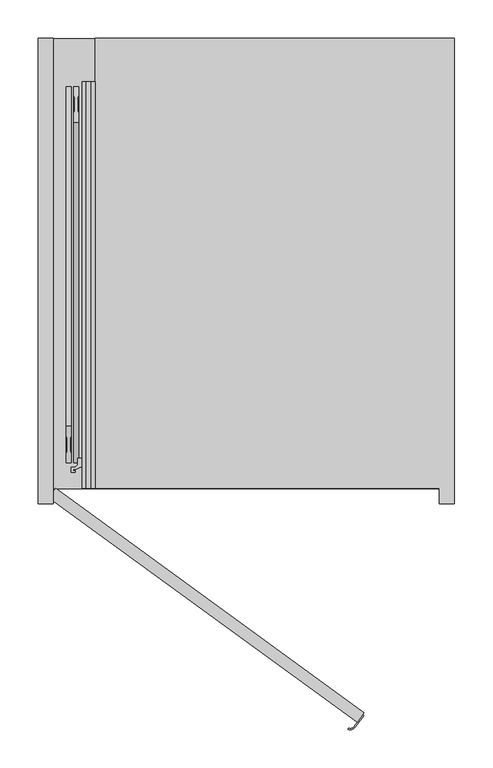
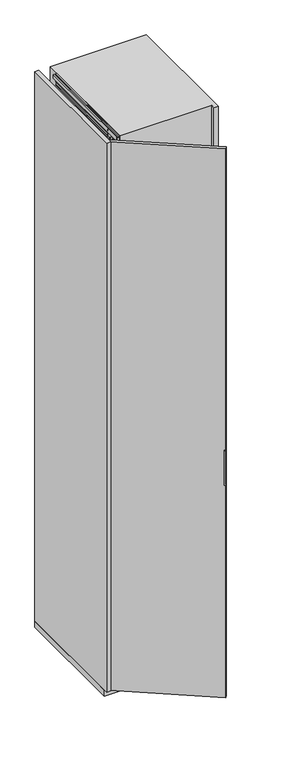
"""IFC4 building model written with IfcOpenShell, lengths in millimetres: furniture geometry."""

import ifcopenshell
import ifcopenshell.guid

model = None  # the IFC model being written
_history = None  # IfcOwnerHistory: only IFC2X3 demands one
_inside = {}  # id of a spatial element -> (the spatial element, [elements in it])
_under = {}  # id of a project, library or spatial element -> (it, [spatial elements below it])
_declared = {}  # id of a project -> (the project, [libraries it declares])
_typed = {}  # id of a type object -> (the type object, [elements of that type])
_made_of = {}  # id of a material, layer set ... -> (it, [elements and type objects made of it])


def new_model(schema):
    """Start an empty IFC model of exactly this schema.

    Asked for "IFC4X3", IfcOpenShell would pick the latest addendum, in which some entities
    have other attributes; the version numbers below select the first issue.
    IFC2X3 requires an IfcOwnerHistory on every rooted entity: one is made here for all.
    """
    global model, _history
    if schema == "IFC4X3":
        model = ifcopenshell.file(schema_version=(4, 3, 0, 0))
    else:
        model = ifcopenshell.file(schema=schema)
    _inside.clear()
    _under.clear()
    _declared.clear()
    _typed.clear()
    _made_of.clear()
    _history = None
    if model.schema == "IFC2X3":
        org = make("IfcOrganization", Name="unknown")
        user = make(
            "IfcPersonAndOrganization",
            ThePerson=make("IfcPerson", FamilyName="unknown"),
            TheOrganization=org,
        )
        app = make(
            "IfcApplication",
            ApplicationDeveloper=org,
            Version="unknown",
            ApplicationFullName="unknown",
            ApplicationIdentifier="unknown",
        )
        _history = make(
            "IfcOwnerHistory",
            OwningUser=user,
            OwningApplication=app,
            ChangeAction="ADDED",
            CreationDate=0,
        )
    return model


def make(cls, **values):
    """One entity of the class cls with the attributes given. An attribute that is None is left unset."""
    return model.create_entity(
        cls, **{name: value for name, value in values.items() if value is not None}
    )


def rooted(cls, **values):
    """An entity with a GlobalId (a new one), such as an element, a storey or a relation."""
    return make(cls, GlobalId=ifcopenshell.guid.new(), OwnerHistory=_history, **values)


def si_unit(unit_type, name, prefix=None):
    """IfcSIUnit, for example si_unit("LENGTHUNIT", "METRE", prefix="MILLI")."""
    return make("IfcSIUnit", UnitType=unit_type, Prefix=prefix, Name=name)


def assignment(units):
    """IfcUnitAssignment: the units of a project."""
    return None if units is None else make("IfcUnitAssignment", Units=units)


def point(xyz):
    """IfcCartesianPoint."""
    return None if xyz is None else make("IfcCartesianPoint", Coordinates=xyz)


def direction(xyz):
    """IfcDirection."""
    return None if xyz is None else make("IfcDirection", DirectionRatios=xyz)


def frame(location, z_axis=None, x_axis=None):
    """IfcAxis2Placement3D, a coordinate frame: its origin and axes. An axis left out is left unset."""
    return make(
        "IfcAxis2Placement3D",
        Location=point(location),
        Axis=direction(z_axis),
        RefDirection=direction(x_axis),
    )


def frame_2d(location, x_axis=None):
    """IfcAxis2Placement2D, a coordinate frame in the plane: its origin and x axis."""
    return make(
        "IfcAxis2Placement2D", Location=point(location), RefDirection=direction(x_axis)
    )


def origin():
    """The frame at (0, 0, 0) with its axes left unset."""
    return frame((0.0, 0.0, 0.0))


def origin_with_axes():
    """The frame at (0, 0, 0) with the z axis (0, 0, 1) and the x axis (1, 0, 0) written out."""
    return frame((0.0, 0.0, 0.0), z_axis=(0.0, 0.0, 1.0), x_axis=(1.0, 0.0, 0.0))


def place(relative_to, where):
    """IfcLocalPlacement: puts the frame where relative to a parent placement (None: the world)."""
    return make(
        "IfcLocalPlacement", PlacementRelTo=relative_to, RelativePlacement=where
    )


def context(
    kind, dimensions, precision=None, world=None, true_north=None, identifier=None
):
    """IfcGeometricRepresentationContext, for example the 3D "Model" context."""
    return make(
        "IfcGeometricRepresentationContext",
        ContextIdentifier=identifier,
        ContextType=kind,
        CoordinateSpaceDimension=dimensions,
        Precision=precision,
        WorldCoordinateSystem=world,
        TrueNorth=true_north,
    )


def project(units=None, contexts=None):
    """IfcProject with its units and contexts."""
    return rooted(
        "IfcProject",
        Name="project",
        RepresentationContexts=contexts,
        UnitsInContext=assignment(units),
    )


def spatial(cls, under=None, at=None, **own):
    """A site, building, storey or space (cls), placed at a placement, below another one or the project."""
    s = rooted(cls, ObjectPlacement=at, **own)
    if under is not None:
        _under.setdefault(under.id(), (under, []))[1].append(s)
    return s


def polyline(points):
    """IfcPolyline through the points."""
    return make("IfcPolyline", Points=[point(p) for p in points])


def circle_curve(where, radius):
    """IfcCircle in the frame where."""
    return make("IfcCircle", Position=where, Radius=radius)


def trimmed(basis, trim1, trim2, sense, master):
    """IfcTrimmedCurve: the piece of a basis curve between two trims."""
    return make(
        "IfcTrimmedCurve",
        BasisCurve=basis,
        Trim1=trim1,
        Trim2=trim2,
        SenseAgreement=sense,
        MasterRepresentation=master,
    )


def segment(curve, same_sense, transition):
    """IfcCompositeCurveSegment."""
    return make(
        "IfcCompositeCurveSegment",
        Transition=transition,
        SameSense=same_sense,
        ParentCurve=curve,
    )


def composite_curve(segments, self_intersect=None):
    """IfcCompositeCurve: segments joined end to end."""
    return make("IfcCompositeCurve", Segments=segments, SelfIntersect=self_intersect)


def outline(outer, holes=None, kind="AREA"):
    """IfcArbitraryClosedProfileDef: a profile drawn as a closed curve; with holes, ...WithVoids."""
    if holes is None:
        return make("IfcArbitraryClosedProfileDef", ProfileType=kind, OuterCurve=outer)
    return make(
        "IfcArbitraryProfileDefWithVoids",
        ProfileType=kind,
        OuterCurve=outer,
        InnerCurves=holes,
    )


def extrude(swept, where, along, depth):
    """IfcExtrudedAreaSolid: the profile swept, set in the frame where, extruded along a direction by depth."""
    return make(
        "IfcExtrudedAreaSolid",
        SweptArea=swept,
        Position=where,
        ExtrudedDirection=direction(along),
        Depth=depth,
    )


def faces_of(points, faces, orient=None, outer=None):
    """IfcFace entities. A face is a list of loops; a loop is a list of indices into points, from 0.

    orient and outer hold one flag for each loop. By default every Orientation is true, the
    first loop of a face is its IfcFaceOuterBound and the others are IfcFaceBound.
    """
    made = []
    for i, loops in enumerate(faces):
        bounds = []
        for j, loop in enumerate(loops):
            is_outer = j == 0 if outer is None else outer[i][j]
            bounds.append(
                make(
                    "IfcFaceOuterBound" if is_outer else "IfcFaceBound",
                    Bound=make("IfcPolyLoop", Polygon=[points[k] for k in loop]),
                    Orientation=True if orient is None else orient[i][j],
                )
            )
        made.append(make("IfcFace", Bounds=bounds))
    return made


def faceted_brep(points, faces, orient=None, outer=None, voids=None):
    """IfcFacetedBrep: a solid bounded by flat faces; with voids (closed shells), ...WithVoids."""
    shared = [point(p) for p in points]
    hull = make("IfcClosedShell", CfsFaces=faces_of(shared, faces, orient, outer))
    if voids is None:
        return make("IfcFacetedBrep", Outer=hull)
    return make(
        "IfcFacetedBrepWithVoids",
        Outer=hull,
        Voids=[
            make(cls, CfsFaces=faces_of(shared, fs, o, b)) for cls, fs, o, b in voids
        ],
    )


def shape(context_of_items, identifier, shape_type, items):
    """IfcShapeRepresentation: the items that make up one representation, for example the "Body"."""
    return make(
        "IfcShapeRepresentation",
        ContextOfItems=context_of_items,
        RepresentationIdentifier=identifier,
        RepresentationType=shape_type,
        Items=items,
    )


def source(mapping_origin, context_of_items, identifier, shape_type, items):
    """IfcRepresentationMap: a shape defined once, which mapped items show again and again."""
    return make(
        "IfcRepresentationMap",
        MappingOrigin=mapping_origin,
        MappedRepresentation=shape(context_of_items, identifier, shape_type, items),
    )


def transform(
    local_origin,
    x_axis=None,
    y_axis=None,
    z_axis=None,
    scale=None,
    scale2=None,
    scale3=None,
    uniform=True,
):
    """IfcCartesianTransformationOperator3D, or its non-uniform kind. x_axis, y_axis, z_axis: its Axis1, 2, 3."""
    if uniform:
        return make(
            "IfcCartesianTransformationOperator3D",
            Axis1=direction(x_axis),
            Axis2=direction(y_axis),
            LocalOrigin=point(local_origin),
            Scale=scale,
            Axis3=direction(z_axis),
        )
    return make(
        "IfcCartesianTransformationOperator3DnonUniform",
        Axis1=direction(x_axis),
        Axis2=direction(y_axis),
        LocalOrigin=point(local_origin),
        Scale=scale,
        Axis3=direction(z_axis),
        Scale2=scale2,
        Scale3=scale3,
    )


def mapped(mapping_source, mapping_target):
    """IfcMappedItem: shows the shape of a source again, moved by a transform."""
    return make(
        "IfcMappedItem", MappingSource=mapping_source, MappingTarget=mapping_target
    )


def made_of(thing, what):
    """Note that an element or type object is made of a material, layer set ...; save() writes the relation."""
    if what is not None:
        _made_of.setdefault(what.id(), (what, []))[1].append(thing)
    return thing


def element(
    cls,
    number,
    at=None,
    inside=None,
    cuts=None,
    type_object=None,
    material=None,
    context=None,
    identifier="Body",
    shape_type=None,
    held_by="IfcProductDefinitionShape",
    body=None,
    shapes=None,
    **own,
):
    """One element of the class cls, such as IfcWall. Its Tag is "e" and its number.

    at: its placement. inside: the storey or other place that contains it. cuts: it is an
    opening in that element (IfcRelVoidsElement). A single representation is given by context,
    identifier, shape_type and body (its items); several are given by shapes. held_by: the class
    of the entity that holds the representations. save() writes the other relations.
    """
    e = rooted(cls, Tag="e%d" % number, ObjectPlacement=at, **own)
    if body is not None:
        shapes = [shape(context, identifier, shape_type, body)]
    if shapes is not None:
        e.Representation = make(held_by, Representations=shapes)
    if inside is not None:
        _inside.setdefault(inside.id(), (inside, []))[1].append(e)
    if cuts is not None:
        rooted(
            "IfcRelVoidsElement", RelatingBuildingElement=cuts, RelatedOpeningElement=e
        )
    if type_object is not None:
        _typed.setdefault(type_object.id(), (type_object, []))[1].append(e)
    return made_of(e, material)


def aggregate(whole, parts):
    """IfcRelAggregates: a whole, such as a stair, and the parts it consists of."""
    return rooted("IfcRelAggregates", RelatingObject=whole, RelatedObjects=parts)


def save(model, path):
    """Write the relations noted so far, then the file.

    IfcRelAggregates (storeys below a building ...), IfcRelContainedInSpatialStructure (elements
    in a storey), IfcRelDefinesByType, IfcRelAssociatesMaterial and IfcRelDeclares: one each for
    every whole, place, type object, material and project.
    """
    for whole, parts in _under.values():
        aggregate(whole, parts)
    for where, things in _inside.values():
        rooted(
            "IfcRelContainedInSpatialStructure",
            RelatedElements=things,
            RelatingStructure=where,
        )
    for kind, things in _typed.values():
        rooted("IfcRelDefinesByType", RelatedObjects=things, RelatingType=kind)
    for what, things in _made_of.values():
        rooted("IfcRelAssociatesMaterial", RelatedObjects=things, RelatingMaterial=what)
    for by, libraries in _declared.values():
        rooted("IfcRelDeclares", RelatingContext=by, RelatedDefinitions=libraries)
    model.write(path)


def furniture_86bc26cf(model_context):
    return source(origin(), model_context, "Body", "SolidModel", [
        extrude(outline(composite_curve([segment(polyline([(350.7451414, -296.3196771), (351.9586669, -297.201355), (341.0735707, -312.1834047)]), True, "CONTINUOUS"), segment(trimmed(circle_curve(frame_2d((334.2088338, -307.1958814)), 8.4852814), [point((341.0735707, -312.1834047))], [point((331.167981, -315.117574))], False, "CARTESIAN"), True, "CONTINUOUS"), segment(polyline([(331.167981, -315.117574), (331.7055329, -313.7172034)]), True, "CONTINUOUS"), segment(trimmed(circle_curve(frame_2d((334.2088338, -307.1958814)), 6.9852814), [point((331.7055329, -313.7172034))], [point((339.8600452, -311.3017268))], True, "CARTESIAN"), True, "CONTINUOUS"), segment(polyline([(339.8600452, -311.3017268), (350.7451414, -296.3196771)]), True, "CONTINUOUS")], self_intersect=False)), frame((0.0, 0.0, 1110.0), z_axis=(0.0, 0.0, 1.0), x_axis=(1.0, 0.0, 0.0)), (0.0, 0.0, 1.0), 180.0),
        extrude(outline(polyline([(-60.8167788, -12.1352549), (-52.0, 0.0), (352.5084972, -293.8926261), (343.6917184, -306.0278811), (-60.8167788, -12.1352549)])), origin_with_axes(), (0.0, 0.0, 1.0), 2846.0),
        extrude(outline(polyline([(17.0, -17.0), (-2.0, -17.0), (-2.0, -12.75), (0.25, -12.75), (0.25, -15.0), (2.9, -15.0), (2.9, -3.0), (0.25, -3.0), (0.25, -5.25), (-2.0, -5.25), (-2.0, 0.0), (56.5663764, 0.0), (57.0913089, -6.0), (54.1547673, -6.0), (54.1547673, -2.5), (38.5, -2.5), (38.5, -6.0), (35.5, -6.0), (35.5, -3.0104888), (5.5, -3.0104888), (5.5, -15.0), (17.0, -15.0), (17.0, -17.0)])), frame((0.0, 0.0, 0.0), z_axis=(0.0, 1.0, 0.0), x_axis=(0.0, 0.0, 1.0)), (0.0, 0.0, 1.0), 533.0),
        extrude(outline(polyline([(2829.0, -15.0), (2840.5, -15.0), (2840.5, -3.0104888), (2810.5, -3.0104888), (2810.5, -6.0), (2807.5, -6.0), (2807.5, -2.5), (2791.8452327, -2.5), (2791.8452327, -6.0), (2788.9086911, -6.0), (2789.4336236, 0.0), (2848.0, 0.0), (2848.0, -5.25), (2845.75, -5.25), (2845.75, -3.0), (2843.1, -3.0), (2843.1, -15.0), (2845.75, -15.0), (2845.75, -12.75), (2848.0, -12.75), (2848.0, -17.0), (2829.0, -17.0), (2829.0, -15.0)])), frame((0.0, 0.0, 0.0), z_axis=(0.0, 1.0, 0.0), x_axis=(0.0, 0.0, 1.0)), (0.0, 0.0, 1.0), 533.0),
        faceted_brep([(-15.8313044, 44.5, 33.9), (-15.8313044, 68.7, 33.9), (-15.8313044, 68.7, 21.9), (-15.8313044, 44.5, 21.9), (-13.8052444, 68.7, 33.9), (-13.8052444, 44.5, 33.9), (-13.8052444, 44.5, 21.9), (-13.8052444, 68.7, 21.9), (-14.2052444, 68.7, 21.9), (-14.2052444, 68.7, 19.301924), (-14.2052444, 44.5, 19.301924), (-14.2052444, 44.5, 21.9), (-10.2052444, 81.5, 21.9), (-14.2052444, 77.5, 21.9), (-14.2052444, 35.5, 21.9), (-10.2052444, 31.5, 21.9), (-7.8052444, 31.5, 21.9), (-3.8052444, 35.5, 21.9), (-3.8052444, 77.5193461, 21.9), (-7.7858983, 81.5, 21.9), (-3.8052444, 70.0, 9.0920874), (-3.8052444, 42.8540496, 9.0920874), (-14.2052444, 42.8540496, 9.0920874), (-14.2052444, 70.0, 9.0920874), (-10.2052444, 81.5, 14.45), (-14.2052444, 77.5, 14.45), (-14.2052444, 42.8540496, 14.45), (-14.2052444, 35.5, 14.45), (-14.2052444, 70.0, 14.45), (-14.2052444, 64.0, 15.2), (-14.2052444, 49.0, 15.2), (-14.2052444, 49.0, 11.4378021), (-14.2052444, 64.0, 11.4378021), (-10.2052444, 31.5, 14.45), (-7.8052444, 31.5, 14.45), (-3.8052444, 35.5, 14.45), (-3.8052444, 42.8540496, 14.45), (-3.8052444, 70.0, 14.45), (-3.8052444, 77.5193461, 14.45), (-3.8052444, 49.0, 15.2), (-3.8052444, 64.0, 15.2), (-3.8052444, 64.0, 11.4378021), (-3.8052444, 49.0, 11.4378021), (-7.7858983, 81.5, 14.45)], [[[0, 1, 2, 3]], [[4, 5, 6, 7]], [[1, 0, 5, 4]], [[1, 4, 7, 8, 9, 2]], [[5, 0, 3, 10, 11, 6]], [[3, 2, 9, 10]], [[12, 13, 8, 7, 6, 11, 14, 15, 16, 17, 18, 19]], [[20, 21, 22, 23]], [[13, 12, 24, 25]], [[23, 22, 26, 27, 14, 11, 10, 9, 8, 13, 25, 28], [29, 30, 31, 32]], [[15, 14, 27, 33]], [[16, 15, 33, 34]], [[17, 16, 34, 35]], [[18, 17, 35, 36, 21, 20, 37, 38], [39, 40, 41, 42]], [[19, 18, 38, 43]], [[12, 19, 43, 24]], [[37, 28, 25, 24, 43, 38]], [[28, 37, 20, 23]], [[29, 40, 39, 30]], [[40, 29, 32, 41]], [[30, 39, 42, 31]], [[26, 36, 35, 34, 33, 27]], [[36, 26, 22, 21]], [[41, 32, 31, 42]]]),
        extrude(outline(composite_curve([segment(trimmed(circle_curve(frame_2d((-9.0052444, 37.1770248)), 5.75), [point((-9.0052444, 42.9270248))], [point((-9.0052444, 31.4270248))], False, "CARTESIAN"), True, "CONTINUOUS"), segment(trimmed(circle_curve(frame_2d((-9.0052444, 37.1770248)), 5.75), [point((-9.0052444, 31.4270248))], [point((-9.0052444, 42.9270248))], False, "CARTESIAN"), True, "CONTINUOUS")], self_intersect=False)), frame((0.0, 0.0, 6.65), z_axis=(0.0, 0.0, 1.0), x_axis=(1.0, 0.0, 0.0)), (0.0, 0.0, 1.0), 7.3),
        extrude(outline(composite_curve([segment(trimmed(circle_curve(frame_2d((-9.0052444, 56.5)), 5.75), [point((-9.0052444, 62.25))], [point((-9.0052444, 50.75))], False, "CARTESIAN"), True, "CONTINUOUS"), segment(trimmed(circle_curve(frame_2d((-9.0052444, 56.5)), 5.75), [point((-9.0052444, 50.75))], [point((-9.0052444, 62.25))], False, "CARTESIAN"), True, "CONTINUOUS")], self_intersect=False)), frame((0.0, 0.0, 11.4378021), z_axis=(0.0, 0.0, 1.0), x_axis=(1.0, 0.0, 0.0)), (0.0, 0.0, 1.0), 3.7621979),
        extrude(outline(composite_curve([segment(trimmed(circle_curve(frame_2d((-9.0052444, 75.75)), 5.75), [point((-9.0052444, 81.5))], [point((-9.0052444, 70.0))], False, "CARTESIAN"), True, "CONTINUOUS"), segment(trimmed(circle_curve(frame_2d((-9.0052444, 75.75)), 5.75), [point((-9.0052444, 70.0))], [point((-9.0052444, 81.5))], False, "CARTESIAN"), True, "CONTINUOUS")], self_intersect=False)), frame((0.0, 0.0, 6.65), z_axis=(0.0, 0.0, 1.0), x_axis=(1.0, 0.0, 0.0)), (0.0, 0.0, 1.0), 7.3),
        faceted_brep([(-15.8313044, 68.5, 2812.1), (-15.8313044, 44.3, 2812.1), (-15.8313044, 44.3, 2824.1), (-15.8313044, 68.5, 2824.1), (-13.8052444, 44.3, 2812.1), (-13.8052444, 68.5, 2812.1), (-13.8052444, 68.5, 2824.1), (-13.8052444, 44.3, 2824.1), (-14.2052444, 44.3, 2824.1), (-14.2052444, 44.3, 2826.698076), (-14.2052444, 68.5, 2826.698076), (-14.2052444, 68.5, 2824.1), (-10.2052444, 31.5, 2824.1), (-14.2052444, 35.5, 2824.1), (-14.2052444, 77.5, 2824.1), (-10.2052444, 81.5, 2824.1), (-7.8052444, 81.5, 2824.1), (-3.8052444, 77.5, 2824.1), (-3.8052444, 35.4806539, 2824.1), (-7.7858983, 31.5, 2824.1), (-3.8052444, 43.0, 2836.9079126), (-3.8052444, 70.1459504, 2836.9079126), (-14.2052444, 70.1459504, 2836.9079126), (-14.2052444, 43.0, 2836.9079126), (-10.2052444, 31.5, 2831.55), (-14.2052444, 35.5, 2831.55), (-14.2052444, 70.1459504, 2831.55), (-14.2052444, 77.5, 2831.55), (-14.2052444, 43.0, 2831.55), (-14.2052444, 49.0, 2830.8), (-14.2052444, 64.0, 2830.8), (-14.2052444, 64.0, 2834.5621979), (-14.2052444, 49.0, 2834.5621979), (-10.2052444, 81.5, 2831.55), (-7.8052444, 81.5, 2831.55), (-3.8052444, 77.5, 2831.55), (-3.8052444, 70.1459504, 2831.55), (-3.8052444, 43.0, 2831.55), (-3.8052444, 35.4806539, 2831.55), (-3.8052444, 64.0, 2830.8), (-3.8052444, 49.0, 2830.8), (-3.8052444, 49.0, 2834.5621979), (-3.8052444, 64.0, 2834.5621979), (-7.7858983, 31.5, 2831.55)], [[[0, 1, 2, 3]], [[4, 5, 6, 7]], [[1, 0, 5, 4]], [[1, 4, 7, 8, 9, 2]], [[5, 0, 3, 10, 11, 6]], [[3, 2, 9, 10]], [[12, 13, 8, 7, 6, 11, 14, 15, 16, 17, 18, 19]], [[20, 21, 22, 23]], [[13, 12, 24, 25]], [[23, 22, 26, 27, 14, 11, 10, 9, 8, 13, 25, 28], [29, 30, 31, 32]], [[15, 14, 27, 33]], [[16, 15, 33, 34]], [[17, 16, 34, 35]], [[18, 17, 35, 36, 21, 20, 37, 38], [39, 40, 41, 42]], [[19, 18, 38, 43]], [[12, 19, 43, 24]], [[37, 28, 25, 24, 43, 38]], [[28, 37, 20, 23]], [[29, 40, 39, 30]], [[40, 29, 32, 41]], [[30, 39, 42, 31]], [[26, 36, 35, 34, 33, 27]], [[36, 26, 22, 21]], [[41, 32, 31, 42]]]),
        extrude(outline(composite_curve([segment(trimmed(circle_curve(frame_2d((-9.0052444, 75.8229752)), 5.75), [point((-9.0052444, 70.0729752))], [point((-9.0052444, 81.5729752))], False, "CARTESIAN"), True, "CONTINUOUS"), segment(trimmed(circle_curve(frame_2d((-9.0052444, 75.8229752)), 5.75), [point((-9.0052444, 81.5729752))], [point((-9.0052444, 70.0729752))], False, "CARTESIAN"), True, "CONTINUOUS")], self_intersect=False)), frame((0.0, 0.0, 2832.05), z_axis=(0.0, 0.0, 1.0), x_axis=(1.0, 0.0, 0.0)), (0.0, 0.0, 1.0), 7.3),
        extrude(outline(composite_curve([segment(trimmed(circle_curve(frame_2d((-9.0052444, 56.5)), 5.75), [point((-9.0052444, 50.75))], [point((-9.0052444, 62.25))], False, "CARTESIAN"), True, "CONTINUOUS"), segment(trimmed(circle_curve(frame_2d((-9.0052444, 56.5)), 5.75), [point((-9.0052444, 62.25))], [point((-9.0052444, 50.75))], False, "CARTESIAN"), True, "CONTINUOUS")], self_intersect=False)), frame((0.0, 0.0, 2830.8), z_axis=(0.0, 0.0, 1.0), x_axis=(1.0, 0.0, 0.0)), (0.0, 0.0, 1.0), 3.7621979),
        extrude(outline(composite_curve([segment(trimmed(circle_curve(frame_2d((-9.0052444, 37.25)), 5.75), [point((-9.0052444, 31.5))], [point((-9.0052444, 43.0))], False, "CARTESIAN"), True, "CONTINUOUS"), segment(trimmed(circle_curve(frame_2d((-9.0052444, 37.25)), 5.75), [point((-9.0052444, 43.0))], [point((-9.0052444, 31.5))], False, "CARTESIAN"), True, "CONTINUOUS")], self_intersect=False)), frame((0.0, 0.0, 2832.05), z_axis=(0.0, 0.0, 1.0), x_axis=(1.0, 0.0, 0.0)), (0.0, 0.0, 1.0), 7.3),
        extrude(outline(polyline([(-8.4980052, 11.2885509), (-8.4980052, 24.9437822), (-1.5019948, 24.9437822), (-1.5019948, 11.2885509), (-2.9019839, 8.7447792), (-2.9019839, -8.7447792), (-1.5019948, -11.2885509), (-1.5019948, -24.9437822), (-8.4980052, -24.9437822), (-8.4980052, -11.2885509), (-7.0980161, -8.7447792), (-7.0980161, 8.7447792), (-8.4980052, 11.2885509)])), frame((-30.0, 503.0, 263.0), z_axis=(0.0, -0.2968216785838769, 0.9549329249338142), x_axis=(1.0, 0.0, 0.0)), (0.0, 0.0, 1.0), 1500.0),
        extrude(outline(polyline([(1.5019948, -11.2885509), (2.9019839, -8.7447792), (2.9019839, 8.7447792), (1.5019948, 11.2885509), (1.5019948, 24.9437823), (8.4980052, 24.9437823), (8.4980052, 11.2885509), (7.0980161, 8.7447792), (7.0980161, -8.7447792), (8.4980052, -11.2885509), (8.4980052, -24.9437822), (1.5019948, -24.9437822), (1.5019948, -11.2885509)])), frame((-30.0, 57.7674821, 330.6006126), z_axis=(0.0, 0.29682167858387626, 0.9549329249338144), x_axis=(1.0, 0.0, 0.0)), (0.0, 0.0, 1.0), 1500.0),
        extrude(outline(polyline([(-14.6, 76.0), (-6.85, 76.0), (-6.85, 38.0), (-8.85, 36.0), (-11.1, 36.0), (-12.6, 34.5), (-12.6, 28.5720943), (-9.1, 30.5928201), (-9.1, 25.0), (-10.1, 25.0), (-11.1, 26.0), (-14.7999998, 26.0), (-15.99707, 29.2889243), (-21.16538, 27.407813), (-25.2566983, 25.5), (-29.1, 25.5), (-29.1, 23.2), (-26.3, 23.2), (-26.3, 21.5), (-31.6, 21.5), (-31.6, 28.0), (-26.35, 28.0), (-23.35, 31.0), (-23.35, 39.5), (-14.6, 39.5), (-14.6, 44.3), (-12.2, 44.3), (-12.2, 40.8), (-9.6, 40.8), (-9.6, 48.5), (-10.6, 49.5), (-10.6, 63.5), (-9.6, 64.5), (-9.6, 72.2), (-12.2, 72.2), (-12.2, 68.7), (-14.6, 68.7), (-14.6, 76.0)])), frame((0.0, 0.0, 21.9), z_axis=(0.0, 0.0, 1.0), x_axis=(1.0, 0.0, 0.0)), (0.0, 0.0, 1.0), 2802.2),
        extrude(outline(polyline([(471.0, 590.0), (471.0, 0.0), (-75.0, 0.0), (-75.0, 590.0), (471.0, 590.0)])), frame((0.0, 0.0, -32.0), z_axis=(0.0, 0.0, 1.0), x_axis=(1.0, 0.0, 0.0)), (0.0, 0.0, 1.0), 30.0),
        extrude(outline(polyline([(-75.0, 590.0), (-55.0, 590.0), (-55.0, -20.0), (-75.0, -20.0), (-75.0, 590.0)])), origin_with_axes(), (0.0, 0.0, 1.0), 2848.0),
        extrude(outline(polyline([(451.0, 0.0), (0.0, 0.0), (0.0, 590.0), (471.0, 590.0), (471.0, -20.0), (451.0, -20.0), (451.0, 0.0)])), frame((0.0, 0.0, -2.0), z_axis=(0.0, 0.0, 1.0), x_axis=(1.0, 0.0, 0.0)), (0.0, 0.0, 1.0), 2850.0),
    ])


if __name__ == "__main__":
    model = new_model("IFC4")
    model_context = context("Model", 3, world=origin())
    ifc_project = project(units=[si_unit("LENGTHUNIT", "METRE", prefix="MILLI")], contexts=[model_context])
    site = spatial("IfcSite", under=ifc_project)
    building = spatial("IfcBuilding", under=site)
    placement = place(None, origin())
    furniture_shape = furniture_86bc26cf(model_context)
    element("IfcFurniture", 1, at=placement, inside=building, context=model_context, shape_type="MappedRepresentation", body=[
        mapped(furniture_shape, transform((0.0, 0.0, 0.0), x_axis=(1.0, 0.0, 0.0), y_axis=(0.0, 1.0, 0.0), z_axis=(0.0, 0.0, 1.0))),
    ])
    save(model, "model.ifc")
